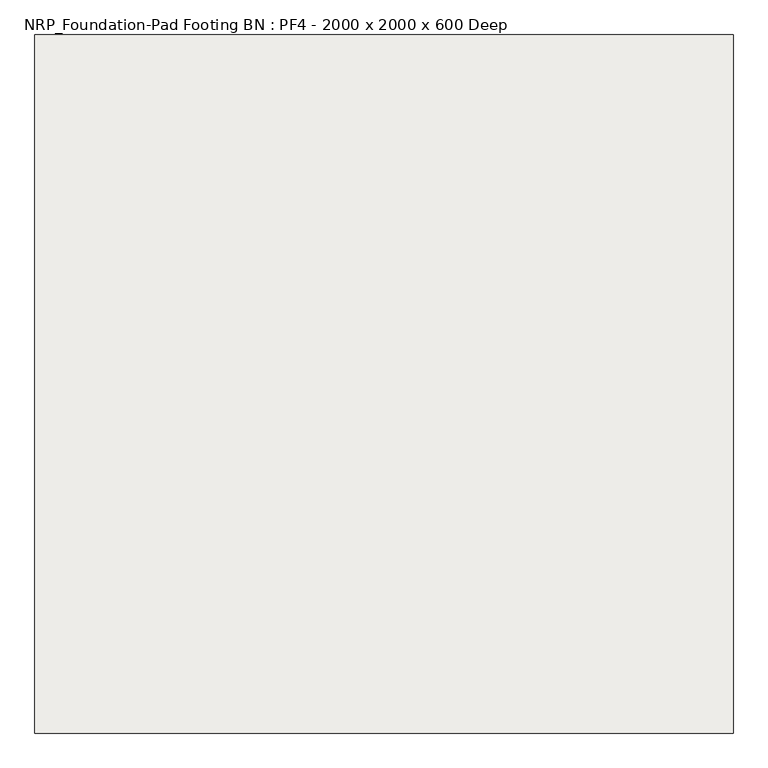
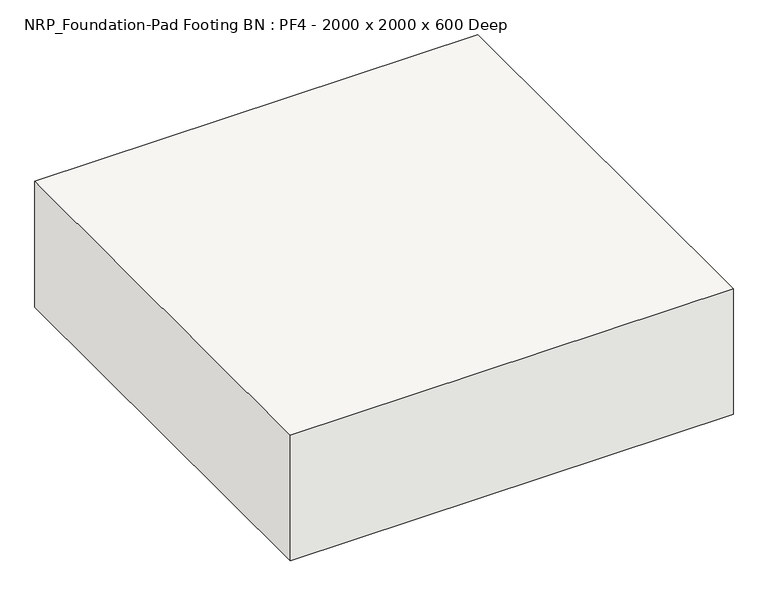
"""IFC4 building model written with IfcOpenShell, lengths in millimetres: slab geometry, NRP_Foundation-Pad Footing BN : PF4 - 2000 x 2000 x 600 Deep."""

from ifc_helpers import new_model, si_unit, frame, origin, place, context, project, spatial, polyline, outline, extrude, source, transform, mapped, element, save


def nrp_foundation_pad_footing_bn_pf4_2000_x_2000_x_600_deep_23da90f5(model_context):
    return source(origin(), model_context, "Body", "SweptSolid", [
        extrude(outline(polyline([(1050.0, 650.0), (1050.0, -1350.0), (-950.0, -1350.0), (-950.0, 650.0), (1050.0, 650.0)])), frame((0.0, 0.0, -600.0), z_axis=(0.0, 0.0, 1.0), x_axis=(1.0, 0.0, 0.0)), (0.0, 0.0, 1.0), 600.0),
    ])


if __name__ == "__main__":
    model = new_model("IFC4")
    model_context = context("Model", 3, world=origin())
    ifc_project = project(units=[si_unit("LENGTHUNIT", "METRE", prefix="MILLI")], contexts=[model_context])
    site = spatial("IfcSite", under=ifc_project)
    building = spatial("IfcBuilding", under=site)
    placement = place(None, origin())
    nrp_foundation_pad_footing_bn_pf4_2000_x_2000_x_600_deep_shape = nrp_foundation_pad_footing_bn_pf4_2000_x_2000_x_600_deep_23da90f5(model_context)
    element("IfcSlab", 1, ObjectType="NRP_Foundation-Pad Footing BN : PF4 - 2000 x 2000 x 600 Deep", at=placement, inside=building, context=model_context, shape_type="MappedRepresentation", body=[
        mapped(nrp_foundation_pad_footing_bn_pf4_2000_x_2000_x_600_deep_shape, transform((0.0, 0.0, 0.0), x_axis=(1.0, 0.0, 0.0), y_axis=(0.0, 1.0, 0.0), z_axis=(0.0, 0.0, 1.0))),
    ])
    save(model, "model.ifc")
